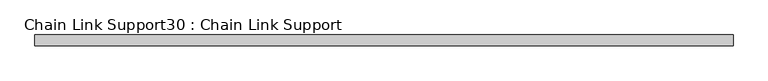
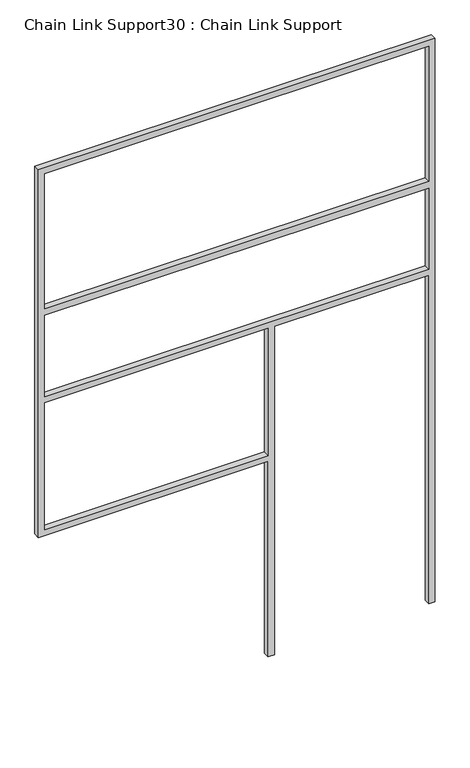
"""IFC4 building model written with IfcOpenShell, lengths in millimetres: proxy geometry, Chain Link Support30 : Chain Link Support."""

from ifc_helpers import new_model, si_unit, frame, origin, place, context, project, spatial, polyline, outline, extrude, source, transform, mapped, element, save


def chain_link_support30_chain_link_support_524d6b19(model_context):
    return source(origin(), model_context, "Body", "SweptSolid", [
        extrude(outline(polyline([(3657.6, -11077.5848205), (3657.6, -13515.9848205), (1270.0, -13515.9848205), (1270.0, -12103.1098205), (0.0, -12103.1098205), (0.0, -12065.0098205), (2133.6, -12065.0098205), (2133.6, -11115.6848205), (0.0, -11115.6848205), (0.0, -11077.5848205), (3657.6, -11077.5848205)]), holes=[polyline([(2171.7, -11115.6848205), (2171.7, -13477.8848205), (2698.75, -13477.8848205), (2698.75, -11115.6848205), (2171.7, -11115.6848205)]), polyline([(1308.1, -13477.8848205), (2133.6, -13477.8848205), (2133.6, -12103.1098205), (1308.1, -12103.1098205), (1308.1, -13477.8848205)]), polyline([(2743.2, -11115.6848205), (2743.2, -13477.8848205), (3619.5, -13477.8848205), (3619.5, -11115.6848205), (2743.2, -11115.6848205)])]), frame((0.0, -5842.957317, 0.0), z_axis=(0.0, 1.0, 0.0), x_axis=(0.0, 0.0, 1.0)), (0.0, 0.0, 1.0), 38.1),
    ])


if __name__ == "__main__":
    model = new_model("IFC4")
    model_context = context("Model", 3, world=origin())
    ifc_project = project(units=[si_unit("LENGTHUNIT", "METRE", prefix="MILLI")], contexts=[model_context])
    site = spatial("IfcSite", under=ifc_project)
    building = spatial("IfcBuilding", under=site)
    placement = place(None, origin())
    chain_link_support30_chain_link_support_shape = chain_link_support30_chain_link_support_524d6b19(model_context)
    element("IfcBuildingElementProxy", 1, Name="Chain Link Support30 : Chain Link Support", ObjectType="Chain Link Support30 : Chain Link Support", at=placement, inside=building, context=model_context, shape_type="MappedRepresentation", body=[
        mapped(chain_link_support30_chain_link_support_shape, transform((0.0, 0.0, 0.0), x_axis=(1.0, 0.0, 0.0), y_axis=(0.0, 1.0, 0.0), z_axis=(0.0, 0.0, 1.0))),
    ])
    save(model, "model.ifc")
